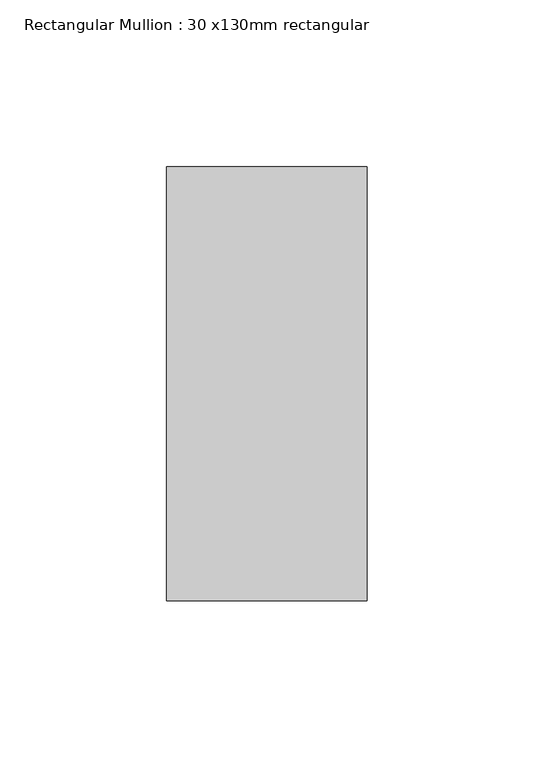
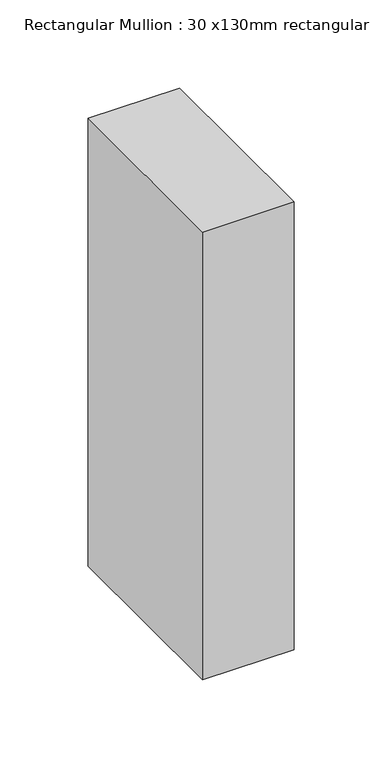
"""IFC4 building model written with IfcOpenShell, lengths in millimetres: member geometry, Rectangular Mullion : 30 x130mm rectangular."""

from ifc_helpers import new_model, si_unit, frame, origin, place, context, project, spatial, polyline, outline, extrude, source, transform, mapped, element, save


def rectangular_mullion_30_x130mm_rectangular_4963be19(model_context):
    return source(origin(), model_context, "Body", "SweptSolid", [
        extrude(outline(polyline([(30.0, 65.0), (30.0, -65.0), (-30.0, -65.0), (-30.0, 65.0), (30.0, 65.0)])), frame((0.0, 0.0, -309.899799), z_axis=(0.0, 0.0, 1.0), x_axis=(1.0, 0.0, 0.0)), (0.0, 0.0, 1.0), 309.899799),
    ])


if __name__ == "__main__":
    model = new_model("IFC4")
    model_context = context("Model", 3, world=origin())
    ifc_project = project(units=[si_unit("LENGTHUNIT", "METRE", prefix="MILLI")], contexts=[model_context])
    site = spatial("IfcSite", under=ifc_project)
    building = spatial("IfcBuilding", under=site)
    placement = place(None, origin())
    rectangular_mullion_30_x130mm_rectangular_shape = rectangular_mullion_30_x130mm_rectangular_4963be19(model_context)
    element("IfcMember", 1, ObjectType="Rectangular Mullion : 30 x130mm rectangular", at=placement, inside=building, context=model_context, shape_type="MappedRepresentation", body=[
        mapped(rectangular_mullion_30_x130mm_rectangular_shape, transform((0.0, 0.0, 0.0), x_axis=(1.0, 0.0, 0.0), y_axis=(0.0, 1.0, 0.0), z_axis=(0.0, 0.0, 1.0))),
    ])
    save(model, "model.ifc")
